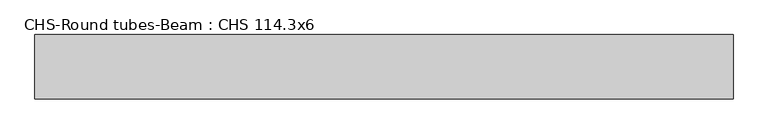
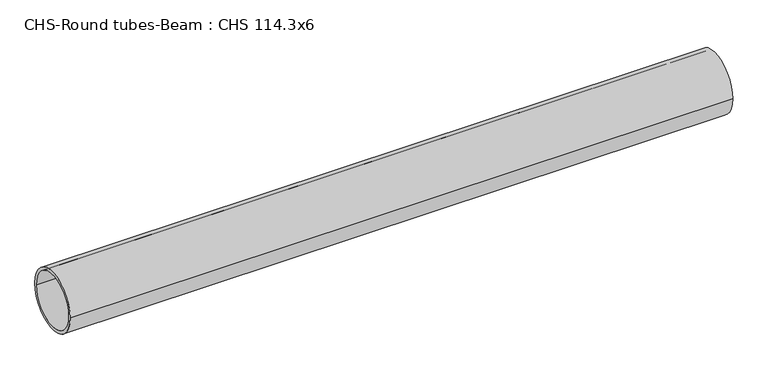
"""IFC4 building model written with IfcOpenShell, lengths in millimetres: beam geometry, CHS-Round tubes-Beam : CHS 114.3x6."""

from ifc_helpers import new_model, si_unit, point, frame, origin, origin_2d, place, context, project, spatial, circle_curve, trimmed, segment, composite_curve, outline, extrude, source, transform, mapped, element, save


def chs_round_tubes_beam_chs_114_3x6_588a81d3(model_context):
    return source(origin(), model_context, "Body", "SweptSolid", [
        extrude(outline(composite_curve([segment(trimmed(circle_curve(origin_2d(), 57.15), [point((57.15, 0.0))], [point((-57.15, 0.0))], False, "CARTESIAN"), True, "CONTINUOUS"), segment(trimmed(circle_curve(origin_2d(), 57.15), [point((-57.15, 0.0))], [point((57.15, 0.0))], False, "CARTESIAN"), True, "CONTINUOUS")], self_intersect=False), holes=[composite_curve([segment(trimmed(circle_curve(origin_2d(), 51.15), [point((51.15, 0.0))], [point((-51.15, 0.0))], True, "CARTESIAN"), True, "CONTINUOUS"), segment(trimmed(circle_curve(origin_2d(), 51.15), [point((-51.15, 0.0))], [point((51.15, 0.0))], True, "CARTESIAN"), True, "CONTINUOUS")], self_intersect=False)]), frame((-619.3161387, 0.0, 0.0), z_axis=(1.0, 0.0, 0.0), x_axis=(0.0, 1.0, 0.0)), (0.0, 0.0, 1.0), 1238.7135655),
    ])


if __name__ == "__main__":
    model = new_model("IFC4")
    model_context = context("Model", 3, world=origin())
    ifc_project = project(units=[si_unit("LENGTHUNIT", "METRE", prefix="MILLI")], contexts=[model_context])
    site = spatial("IfcSite", under=ifc_project)
    building = spatial("IfcBuilding", under=site)
    placement = place(None, origin())
    chs_round_tubes_beam_chs_114_3x6_shape = chs_round_tubes_beam_chs_114_3x6_588a81d3(model_context)
    element("IfcBeam", 1, ObjectType="CHS-Round tubes-Beam : CHS 114.3x6", at=placement, inside=building, context=model_context, shape_type="MappedRepresentation", body=[
        mapped(chs_round_tubes_beam_chs_114_3x6_shape, transform((0.0, 0.0, 0.0), x_axis=(1.0, 0.0, 0.0), y_axis=(0.0, 1.0, 0.0), z_axis=(0.0, 0.0, 1.0))),
    ])
    save(model, "model.ifc")
